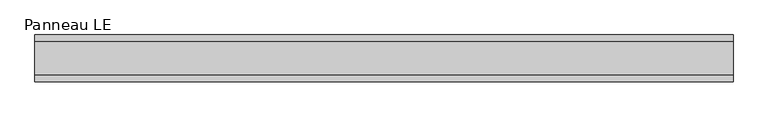
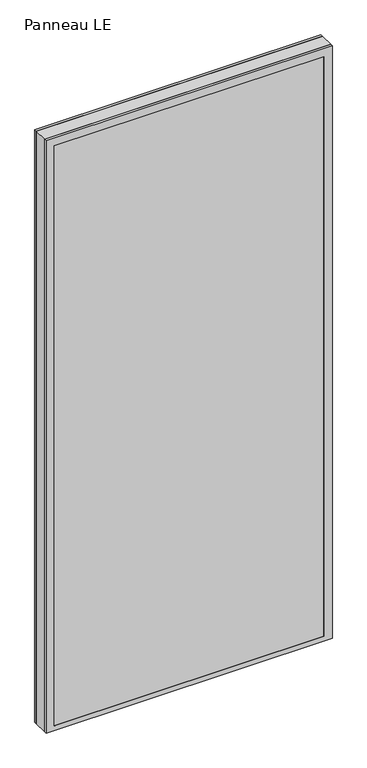
"""IFC4 building model written with IfcOpenShell, lengths in millimetres: plate geometry, Panneau LE."""

from ifc_helpers import new_model, si_unit, frame, origin, place, context, project, spatial, polyline, outline, extrude, faceted_brep, source, transform, mapped, element, save


def panneau_le_0ebd8ba7(model_context):
    return source(origin(), model_context, "Body", "SolidModel", [
        faceted_brep([(-671.0833333, 33.0, 2933.0), (-671.0833333, 45.0, 2933.0), (-671.0833333, 45.0, 0.0), (-671.0833333, 33.0, 0.0), (671.0833333, 33.0, 0.0), (671.0833333, 45.0, 0.0), (671.0833333, 45.0, 2933.0), (671.0833333, 33.0, 2933.0), (-632.0833333, 45.0, 2894.0), (-632.0833333, 45.0, 23.0), (632.0833333, 45.0, 23.0), (632.0833333, 45.0, 2894.0), (632.0833333, 43.8, 2894.0), (-632.0833333, 43.8, 2894.0), (-647.0833333, 43.8, 2909.0), (-647.0833333, 43.8, 8.0), (647.0833333, 43.8, 8.0), (647.0833333, 43.8, 2909.0), (632.0833333, 43.8, 23.0), (-632.0833333, 43.8, 23.0), (647.0833333, 33.0, 2909.0), (-647.0833333, 33.0, 2909.0), (647.0833333, 33.0, 8.0), (-647.0833333, 33.0, 8.0)], [[[0, 1, 2, 3]], [[4, 5, 6, 7]], [[6, 1, 0, 7]], [[2, 1, 6, 5], [8, 9, 10, 11]], [[8, 11, 12, 13]], [[14, 15, 16, 17], [13, 12, 18, 19]], [[14, 17, 20, 21]], [[0, 3, 4, 7], [20, 22, 23, 21]], [[23, 22, 16, 15]], [[19, 18, 10, 9]], [[4, 3, 2, 5]], [[21, 23, 15, 14]], [[13, 19, 9, 8]], [[18, 12, 11, 10]], [[22, 20, 17, 16]]]),
        faceted_brep([(-671.0833333, -33.0, 0.0), (-671.0833333, -45.0, 0.0), (-671.0833333, -45.0, 2933.0), (-671.0833333, -33.0, 2933.0), (671.0833333, -45.0, 0.0), (671.0833333, -33.0, 0.0), (671.0833333, -33.0, 2933.0), (671.0833333, -45.0, 2933.0), (632.0833333, -45.0, 2894.0), (632.0833333, -45.0, 23.0), (-632.0833333, -45.0, 23.0), (-632.0833333, -45.0, 2894.0), (-647.0833333, -33.0, 2909.0), (-647.0833333, -33.0, 8.0), (647.0833333, -33.0, 8.0), (647.0833333, -33.0, 2909.0), (647.0833333, -43.8, 2909.0), (-647.0833333, -43.8, 2909.0), (647.0833333, -43.8, 8.0), (-647.0833333, -43.8, 8.0), (-632.0833333, -43.8, 2894.0), (-632.0833333, -43.8, 23.0), (632.0833333, -43.8, 23.0), (632.0833333, -43.8, 2894.0)], [[[0, 1, 2, 3]], [[4, 5, 6, 7]], [[2, 1, 4, 7], [8, 9, 10, 11]], [[6, 3, 2, 7]], [[0, 3, 6, 5], [12, 13, 14, 15]], [[12, 15, 16, 17]], [[17, 16, 18, 19], [20, 21, 22, 23]], [[8, 11, 20, 23]], [[10, 9, 22, 21]], [[19, 18, 14, 13]], [[4, 1, 0, 5]], [[11, 10, 21, 20]], [[17, 19, 13, 12]], [[18, 16, 15, 14]], [[9, 8, 23, 22]]]),
        extrude(outline(polyline([(2933.0, 671.0833333), (2933.0, -671.0833333), (0.0, -671.0833333), (0.0, 671.0833333), (2933.0, 671.0833333)]), holes=[polyline([(30.0, -631.0833333), (2887.0, -631.0833333), (2887.0, 631.0833333), (30.0, 631.0833333), (30.0, -631.0833333)])]), frame((0.0, -33.0, 0.0), z_axis=(0.0, 1.0, 0.0), x_axis=(0.0, 0.0, 1.0)), (0.0, 0.0, 1.0), 66.0),
        extrude(outline(polyline([(647.0833333, 37.8), (-647.0833333, 37.8), (-647.0833333, 43.8), (647.0833333, 43.8), (647.0833333, 37.8)])), frame((0.0, 0.0, 8.0), z_axis=(0.0, 0.0, 1.0), x_axis=(1.0, 0.0, 0.0)), (0.0, 0.0, 1.0), 2901.0),
        extrude(outline(polyline([(-647.0833333, -43.8), (-647.0833333, -37.8), (647.0833333, -37.8), (647.0833333, -43.8), (-647.0833333, -43.8)])), frame((0.0, 0.0, 8.0), z_axis=(0.0, 0.0, 1.0), x_axis=(1.0, 0.0, 0.0)), (0.0, 0.0, 1.0), 2901.0),
    ])


if __name__ == "__main__":
    model = new_model("IFC4")
    model_context = context("Model", 3, world=origin())
    ifc_project = project(units=[si_unit("LENGTHUNIT", "METRE", prefix="MILLI")], contexts=[model_context])
    site = spatial("IfcSite", under=ifc_project)
    building = spatial("IfcBuilding", under=site)
    placement = place(None, origin())
    panneau_le_shape = panneau_le_0ebd8ba7(model_context)
    element("IfcPlate", 1, ObjectType="Panneau LE", at=placement, inside=building, context=model_context, shape_type="MappedRepresentation", body=[
        mapped(panneau_le_shape, transform((0.0, 0.0, 0.0), x_axis=(1.0, 0.0, 0.0), y_axis=(0.0, 1.0, 0.0), z_axis=(0.0, 0.0, 1.0))),
    ])
    save(model, "model.ifc")
